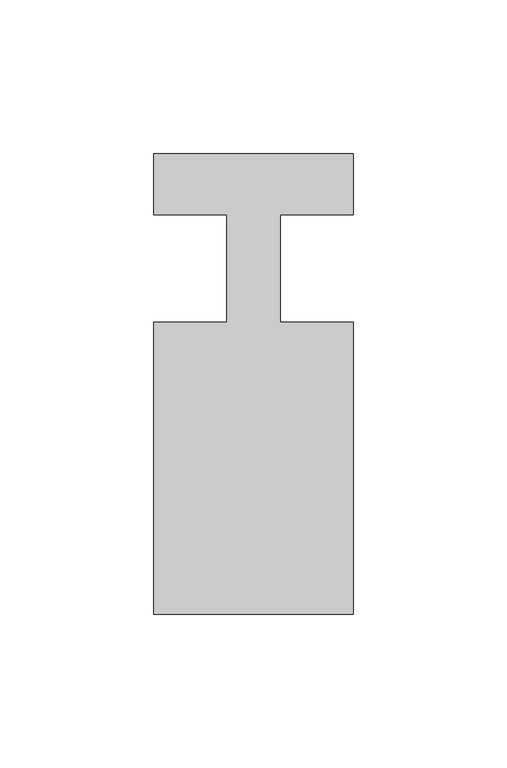
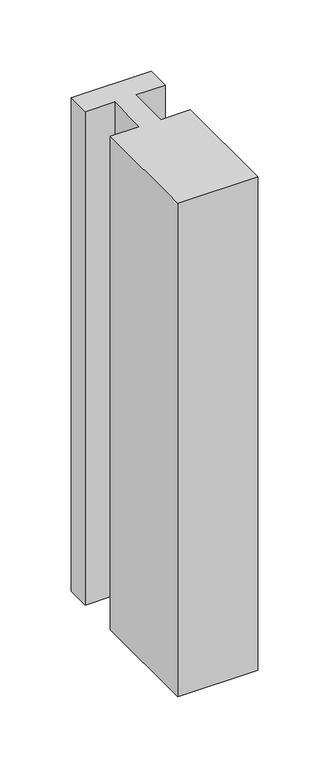
"""IFC4 building model written with IfcOpenShell, lengths in millimetres: member geometry."""

from ifc_helpers import new_model, si_unit, frame, origin, place, context, project, spatial, polyline, outline, extrude, source, transform, mapped, element, save


def member_53bd9b80(model_context):
    return source(origin(), model_context, "Body", "SweptSolid", [
        extrude(outline(polyline([(-32.5, 37.0), (32.5, 37.0), (32.5, 17.0), (8.6875, 17.0), (8.6875, -18.0), (32.5, -18.0), (32.5, -113.0), (-32.5, -113.0), (-32.5, -18.0), (-8.6875, -18.0), (-8.6875, 17.0), (-32.5, 17.0), (-32.5, 37.0)])), frame((0.0, 0.0, -423.8125), z_axis=(0.0, 0.0, 1.0), x_axis=(1.0, 0.0, 0.0)), (0.0, 0.0, 1.0), 423.8125),
    ])


if __name__ == "__main__":
    model = new_model("IFC4")
    model_context = context("Model", 3, world=origin())
    ifc_project = project(units=[si_unit("LENGTHUNIT", "METRE", prefix="MILLI")], contexts=[model_context])
    site = spatial("IfcSite", under=ifc_project)
    building = spatial("IfcBuilding", under=site)
    placement = place(None, origin())
    member_shape = member_53bd9b80(model_context)
    element("IfcMember", 1, at=placement, inside=building, context=model_context, shape_type="MappedRepresentation", body=[
        mapped(member_shape, transform((0.0, 0.0, 0.0), x_axis=(1.0, 0.0, 0.0), y_axis=(0.0, 1.0, 0.0), z_axis=(0.0, 0.0, 1.0))),
    ])
    save(model, "model.ifc")
